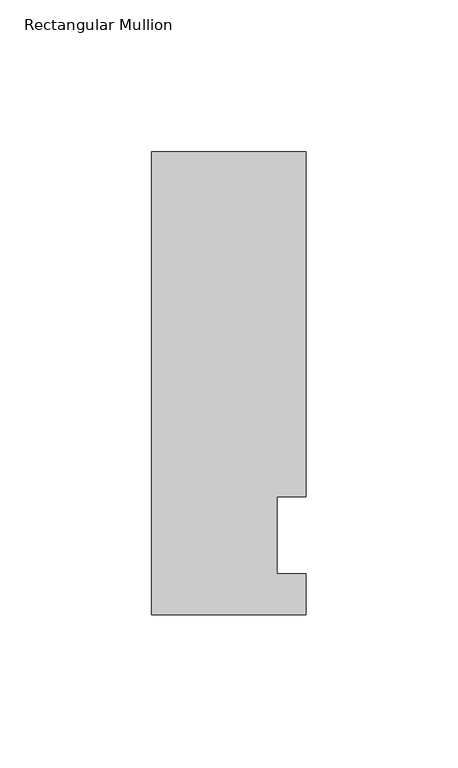
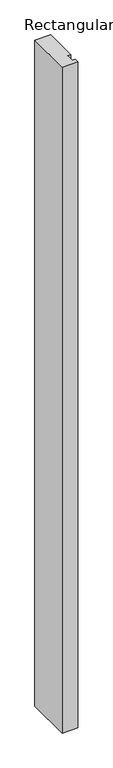
"""IFC4 building model written with IfcOpenShell, lengths in millimetres: member geometry, Rectangular Mullion."""

from ifc_helpers import new_model, si_unit, frame, origin, place, context, project, spatial, polyline, outline, extrude, source, transform, mapped, element, save


def rectangular_mullion_0ddab15f(model_context):
    return source(origin(), model_context, "Body", "SweptSolid", [
        extrude(outline(polyline([(-25.4, -26.19375), (-25.4, 126.20625), (25.4, 126.20625), (25.4, 12.7), (15.875, 12.7), (15.875, -12.7), (25.4, -12.7), (25.4, -26.19375), (-25.4, -26.19375)])), frame((0.0, 0.0, -2286.0), z_axis=(0.0, 0.0, 1.0), x_axis=(1.0, 0.0, 0.0)), (0.0, 0.0, 1.0), 2286.0),
    ])


if __name__ == "__main__":
    model = new_model("IFC4")
    model_context = context("Model", 3, world=origin())
    ifc_project = project(units=[si_unit("LENGTHUNIT", "METRE", prefix="MILLI")], contexts=[model_context])
    site = spatial("IfcSite", under=ifc_project)
    building = spatial("IfcBuilding", under=site)
    placement = place(None, origin())
    rectangular_mullion_shape = rectangular_mullion_0ddab15f(model_context)
    element("IfcMember", 1, ObjectType="Rectangular Mullion", at=placement, inside=building, context=model_context, shape_type="MappedRepresentation", body=[
        mapped(rectangular_mullion_shape, transform((0.0, 0.0, 0.0), x_axis=(1.0, 0.0, 0.0), y_axis=(0.0, 1.0, 0.0), z_axis=(0.0, 0.0, 1.0))),
    ])
    save(model, "model.ifc")
